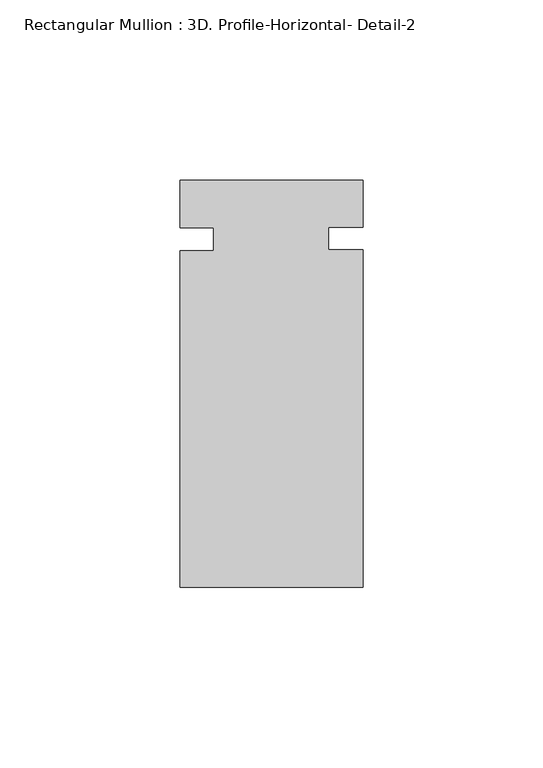
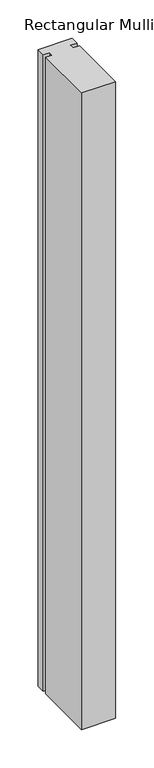
"""IFC4 building model written with IfcOpenShell, lengths in millimetres: member geometry, Rectangular Mullion : 3D. Profile-Horizontal- Detail-2."""

from ifc_helpers import new_model, si_unit, frame, origin, place, context, project, spatial, polyline, outline, extrude, source, transform, mapped, element, save


def rectangular_mullion_3d_profile_horizontal_detail_2_c52792f5(model_context):
    return source(origin(), model_context, "Body", "SweptSolid", [
        extrude(outline(polyline([(25.4, -39.2826875), (-25.4, -39.2826875), (-25.4, 54.211545), (-16.0655, 54.211545), (-16.0655, 60.561545), (-25.4, 60.561545), (-25.4, 73.7981125), (25.4, 73.7981125), (25.4, 60.7351778), (15.875, 60.7351778), (15.875, 54.3975801), (25.4, 54.3975801), (25.4, -39.2826875)])), frame((0.0, 0.0, -1011.8933864), z_axis=(0.0, 0.0, 1.0), x_axis=(1.0, 0.0, 0.0)), (0.0, 0.0, 1.0), 1011.8933864),
    ])


if __name__ == "__main__":
    model = new_model("IFC4")
    model_context = context("Model", 3, world=origin())
    ifc_project = project(units=[si_unit("LENGTHUNIT", "METRE", prefix="MILLI")], contexts=[model_context])
    site = spatial("IfcSite", under=ifc_project)
    building = spatial("IfcBuilding", under=site)
    placement = place(None, origin())
    rectangular_mullion_3d_profile_horizontal_detail_2_shape = rectangular_mullion_3d_profile_horizontal_detail_2_c52792f5(model_context)
    element("IfcMember", 1, ObjectType="Rectangular Mullion : 3D. Profile-Horizontal- Detail-2", at=placement, inside=building, context=model_context, shape_type="MappedRepresentation", body=[
        mapped(rectangular_mullion_3d_profile_horizontal_detail_2_shape, transform((0.0, 0.0, 0.0), x_axis=(1.0, 0.0, 0.0), y_axis=(0.0, 1.0, 0.0), z_axis=(0.0, 0.0, 1.0))),
    ])
    save(model, "model.ifc")
